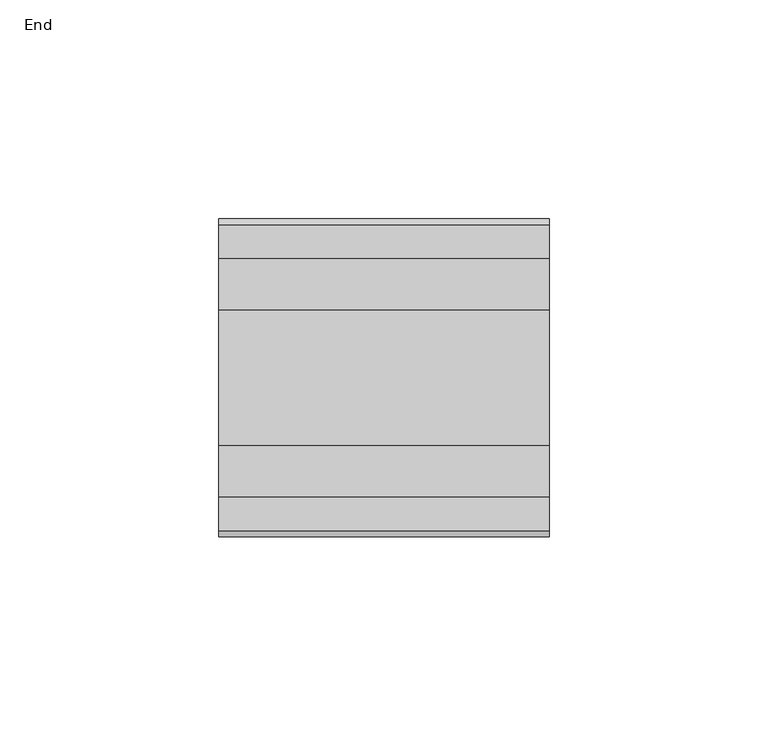
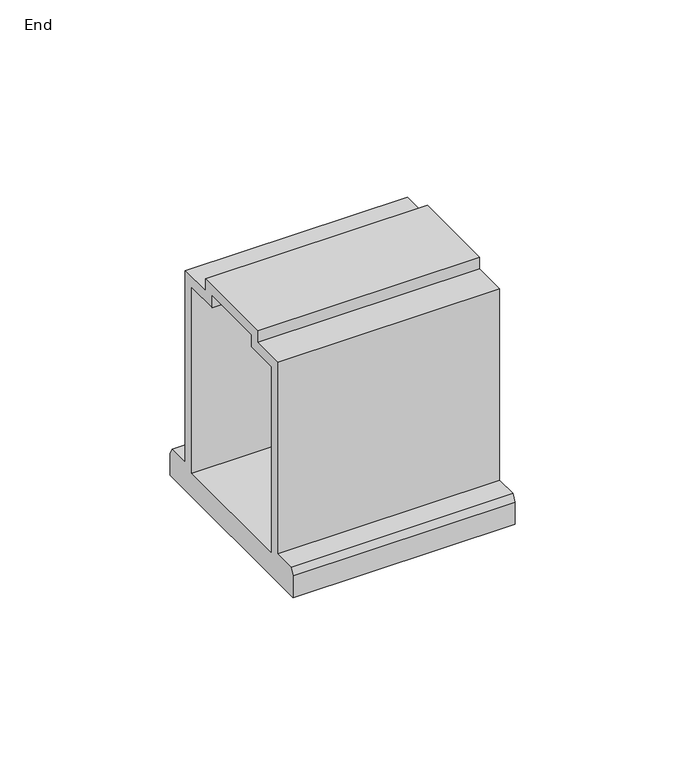
"""IFC4 building model written with IfcOpenShell, lengths in millimetres: furniture geometry, End."""

from ifc_helpers import new_model, si_unit, frame, origin, place, context, project, spatial, polyline, outline, extrude, source, transform, mapped, element, save


def end_322cb2df(model_context):
    return source(origin(), model_context, "Body", "SweptSolid", [
        extrude(outline(polyline([(15.3670001, 83.2611969), (15.3670001, 79.0702009), (27.1779991, 79.0702009), (27.1779991, 10.2996995), (34.9250008, 10.2996995), (36.2814836, 7.9502), (36.2814836, 0.0), (-36.2814836, 0.0), (-36.2814836, 7.9502), (-34.9250008, 10.2996995), (-27.1779991, 10.2996995), (-27.1779991, 79.0702009), (-15.3670001, 79.0702009), (-15.3670001, 83.2611969), (15.3670001, 83.2611969)]), holes=[polyline([(11.5570003, 79.4512005), (-11.5570003, 79.4512005), (-11.5570003, 75.2602), (-23.3680004, 75.2602), (-23.3680004, 8.5852), (23.3680004, 8.5852), (23.3680004, 75.2602), (11.5570003, 75.2602), (11.5570003, 79.4512005)])]), frame((0.0, 0.0, 0.0), z_axis=(1.0, 0.0, 0.0), x_axis=(0.0, 1.0, 0.0)), (0.0, 0.0, 1.0), 75.412598),
    ])


if __name__ == "__main__":
    model = new_model("IFC4")
    model_context = context("Model", 3, world=origin())
    ifc_project = project(units=[si_unit("LENGTHUNIT", "METRE", prefix="MILLI")], contexts=[model_context])
    site = spatial("IfcSite", under=ifc_project)
    building = spatial("IfcBuilding", under=site)
    placement = place(None, origin())
    end_shape = end_322cb2df(model_context)
    element("IfcFurniture", 1, ObjectType="End", at=placement, inside=building, context=model_context, shape_type="MappedRepresentation", body=[
        mapped(end_shape, transform((0.0, 0.0, 0.0), x_axis=(1.0, 0.0, 0.0), y_axis=(0.0, 1.0, 0.0), z_axis=(0.0, 0.0, 1.0))),
    ])
    save(model, "model.ifc")
